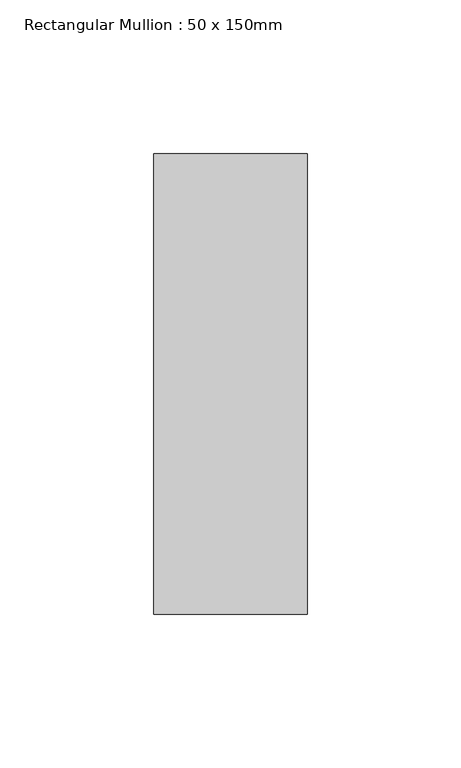
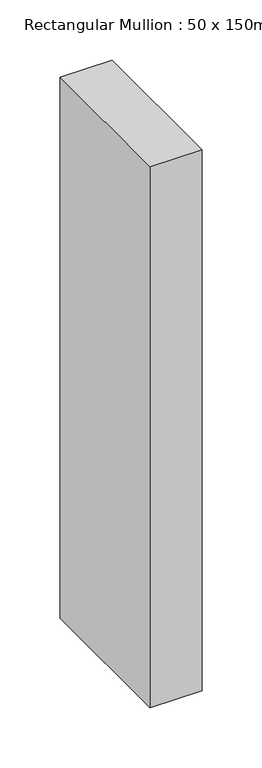
"""IFC4 building model written with IfcOpenShell, lengths in millimetres: member geometry, Rectangular Mullion : 50 x 150mm."""

from ifc_helpers import new_model, si_unit, frame, origin, place, context, project, spatial, polyline, outline, extrude, source, transform, mapped, element, save


def rectangular_mullion_50_x_150mm_7481de18(model_context):
    return source(origin(), model_context, "Body", "SweptSolid", [
        extrude(outline(polyline([(0.0, 75.0), (0.0, -75.0), (-50.0, -75.0), (-50.0, 75.0), (0.0, 75.0)])), frame((0.0, 0.0, -550.0548808), z_axis=(0.0, 0.0, 1.0), x_axis=(1.0, 0.0, 0.0)), (0.0, 0.0, 1.0), 550.0548808),
    ])


if __name__ == "__main__":
    model = new_model("IFC4")
    model_context = context("Model", 3, world=origin())
    ifc_project = project(units=[si_unit("LENGTHUNIT", "METRE", prefix="MILLI")], contexts=[model_context])
    site = spatial("IfcSite", under=ifc_project)
    building = spatial("IfcBuilding", under=site)
    placement = place(None, origin())
    rectangular_mullion_50_x_150mm_shape = rectangular_mullion_50_x_150mm_7481de18(model_context)
    element("IfcMember", 1, ObjectType="Rectangular Mullion : 50 x 150mm", at=placement, inside=building, context=model_context, shape_type="MappedRepresentation", body=[
        mapped(rectangular_mullion_50_x_150mm_shape, transform((0.0, 0.0, 0.0), x_axis=(1.0, 0.0, 0.0), y_axis=(0.0, 1.0, 0.0), z_axis=(0.0, 0.0, 1.0))),
    ])
    save(model, "model.ifc")
